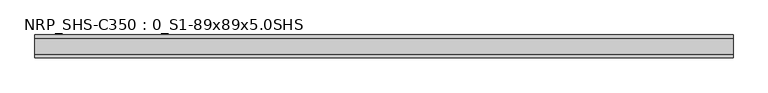
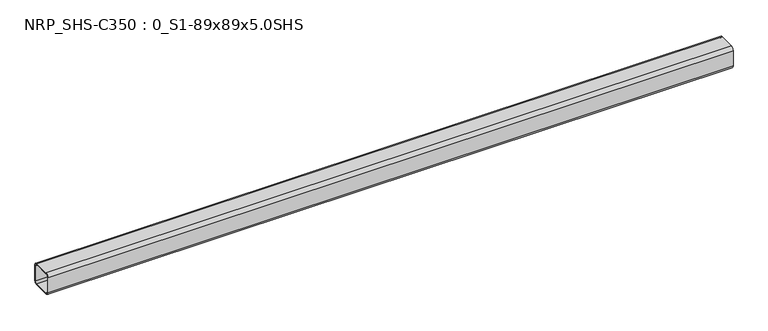
"""IFC4 building model written with IfcOpenShell, lengths in millimetres: beam geometry, NRP_SHS-C350 : 0_S1-89x89x5.0SHS."""

from ifc_helpers import new_model, si_unit, point, frame, frame_2d, origin, place, context, project, spatial, polyline, circle_curve, trimmed, segment, composite_curve, outline, extrude, source, transform, mapped, element, save


def nrp_shs_c350_0_s1_89x89x5_0shs_fe5a8d4d(model_context):
    return source(origin(), model_context, "Body", "SweptSolid", [
        extrude(outline(composite_curve([segment(polyline([(44.5, 32.0), (44.5, -32.0)]), True, "CONTINUOUS"), segment(trimmed(circle_curve(frame_2d((32.0, -32.0)), 12.5), [point((44.5, -32.0))], [point((32.0, -44.5))], False, "CARTESIAN"), True, "CONTINUOUS"), segment(polyline([(32.0, -44.5), (-32.0, -44.5)]), True, "CONTINUOUS"), segment(trimmed(circle_curve(frame_2d((-32.0, -32.0)), 12.5), [point((-32.0, -44.5))], [point((-44.5, -32.0))], False, "CARTESIAN"), True, "CONTINUOUS"), segment(polyline([(-44.5, -32.0), (-44.5, 32.0)]), True, "CONTINUOUS"), segment(trimmed(circle_curve(frame_2d((-32.0, 32.0)), 12.5), [point((-44.5, 32.0))], [point((-32.0, 44.5))], False, "CARTESIAN"), True, "CONTINUOUS"), segment(polyline([(-32.0, 44.5), (32.0, 44.5)]), True, "CONTINUOUS"), segment(trimmed(circle_curve(frame_2d((32.0, 32.0)), 12.5), [point((32.0, 44.5))], [point((44.5, 32.0))], False, "CARTESIAN"), True, "CONTINUOUS")], self_intersect=False), holes=[composite_curve([segment(trimmed(circle_curve(frame_2d((-32.0, 32.0)), 7.5), [point((-32.0, 39.5))], [point((-39.5, 32.0))], True, "CARTESIAN"), True, "CONTINUOUS"), segment(polyline([(-39.5, 32.0), (-39.5, -32.0)]), True, "CONTINUOUS"), segment(trimmed(circle_curve(frame_2d((-32.0, -32.0)), 7.5), [point((-39.5, -32.0))], [point((-32.0, -39.5))], True, "CARTESIAN"), True, "CONTINUOUS"), segment(polyline([(-32.0, -39.5), (32.0, -39.5)]), True, "CONTINUOUS"), segment(trimmed(circle_curve(frame_2d((32.0, -32.0)), 7.5), [point((32.0, -39.5))], [point((39.5, -32.0))], True, "CARTESIAN"), True, "CONTINUOUS"), segment(polyline([(39.5, -32.0), (39.5, 32.0)]), True, "CONTINUOUS"), segment(trimmed(circle_curve(frame_2d((32.0, 32.0)), 7.5), [point((39.5, 32.0))], [point((32.0, 39.5))], True, "CARTESIAN"), True, "CONTINUOUS"), segment(polyline([(32.0, 39.5), (-32.0, 39.5)]), True, "CONTINUOUS")], self_intersect=False)]), frame((-1403.5, 0.0, 0.0), z_axis=(1.0, 0.0, 0.0), x_axis=(0.0, 1.0, 0.0)), (0.0, 0.0, 1.0), 2729.0),
    ])


if __name__ == "__main__":
    model = new_model("IFC4")
    model_context = context("Model", 3, world=origin())
    ifc_project = project(units=[si_unit("LENGTHUNIT", "METRE", prefix="MILLI")], contexts=[model_context])
    site = spatial("IfcSite", under=ifc_project)
    building = spatial("IfcBuilding", under=site)
    placement = place(None, origin())
    nrp_shs_c350_0_s1_89x89x5_0shs_shape = nrp_shs_c350_0_s1_89x89x5_0shs_fe5a8d4d(model_context)
    element("IfcBeam", 1, ObjectType="NRP_SHS-C350 : 0_S1-89x89x5.0SHS", at=placement, inside=building, context=model_context, shape_type="MappedRepresentation", body=[
        mapped(nrp_shs_c350_0_s1_89x89x5_0shs_shape, transform((0.0, 0.0, 0.0), x_axis=(1.0, 0.0, 0.0), y_axis=(0.0, 1.0, 0.0), z_axis=(0.0, 0.0, 1.0))),
    ])
    save(model, "model.ifc")
